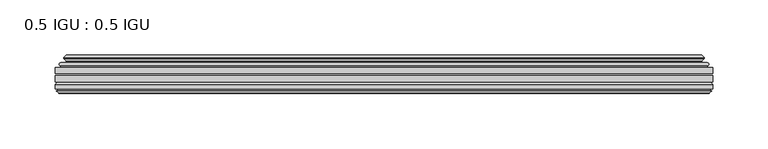
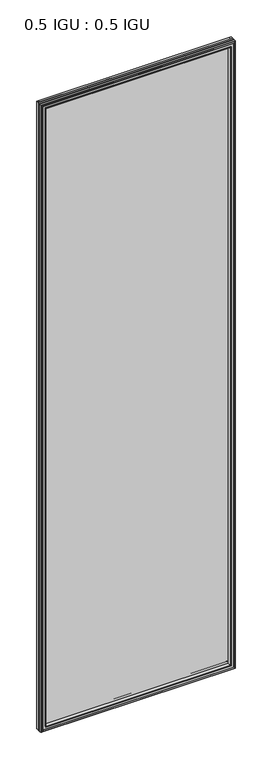
"""IFC4 building model written with IfcOpenShell, lengths in millimetres: plate geometry, 0.5 IGU : 0.5 IGU."""

from ifc_helpers import new_model, si_unit, frame, origin, place, context, project, spatial, polyline, ellipse_curve, outline, extrude, faceted_brep, source, transform, mapped, element, save
from ifc_brep_helpers import plane_surface, cylinder_surface, revolved_surface, advanced_brep


def plate_0_5_igu_0_5_igu_f37b91c5(model_context):
    return source(origin(), model_context, "Body", "SolidModel", [
        extrude(outline(polyline([(296.8798663, -55.82285), (296.8798663, -61.48705), (-296.8656913, -61.48705), (-296.8656913, -55.82285), (296.8798663, -55.82285)])), frame((0.0, 0.0, -14.2875), z_axis=(0.0, 0.0, 1.0), x_axis=(1.0, 0.0, 0.0)), (0.0, 0.0, 1.0), 2025.6537979),
        extrude(outline(polyline([(-296.8656913, -69.05625), (-296.8656913, -63.39205), (296.8798663, -63.39205), (296.8798663, -69.05625), (-296.8656913, -69.05625)])), frame((0.0, 0.0, -14.2875), z_axis=(0.0, 0.0, 1.0), x_axis=(1.0, 0.0, 0.0)), (0.0, 0.0, 1.0), 2025.6537979),
        advanced_brep(
        [(-292.7631539, -54.3724927, 2007.2599626), (-291.7186291, -51.60645, 2006.2154378), (-291.7186291, -51.60645, -9.1404378), (-292.7631539, -54.3724927, -10.1849626), (-291.1267083, -55.82285, 2005.623517), (-291.1267083, -55.82285, -8.548517), (-282.5781913, -45.63745, 1997.075), (-278.9954674, -55.82285, 1993.4922761), (-278.9954674, -55.82285, 3.5827239), (-282.5781913, -45.63745, 0.0), (-287.7641022, -46.8185491, 2002.2609109), (-287.7641022, -46.8185491, -5.1859109), (-286.9670806, -44.8183085, 2001.4638893), (-286.9670806, -44.8183085, -4.3888893), (-289.2508024, -47.135817, 2003.7476111), (-289.2508024, -47.135817, -6.6726111), (-289.2508024, -47.8489429, 2003.7476111), (-289.2508024, -47.8489429, -6.6726111), (-286.9670806, -50.1664515, 2001.4638893), (-286.9670806, -50.1664515, -4.3888893), (-287.7564414, -48.1854367, 2002.2532501), (-287.7564414, -48.1854367, -5.1782501), (-285.2326292, -48.027045, 1999.7294379), (-285.2326292, -48.027045, -2.6544379), (-284.206813, -48.7147544, 1998.7036217), (-284.206813, -48.7147544, -1.6286217), (-284.3252202, -50.1092231, 1998.8220288), (-284.3252202, -50.1092231, -1.7470288), (-284.9269661, -51.60645, 1999.4237748), (-284.9269661, -51.60645, -2.3487748), (291.7186291, -51.60645, -9.1404378), (292.7631539, -54.3724927, -10.1849626), (291.1267083, -55.82285, -8.548517), (278.9954674, -55.82285, 3.5827239), (282.5781913, -45.63745, 0.0), (287.7641022, -46.8185491, -5.1859109), (286.9670806, -44.8183085, -4.3888893), (289.2508024, -47.135817, -6.6726111), (289.2508024, -47.8489429, -6.6726111), (286.9670806, -50.1664515, -4.3888893), (287.7564414, -48.1854367, -5.1782501), (285.2326292, -48.027045, -2.6544379), (284.206813, -48.7147544, -1.6286217), (284.3252202, -50.1092231, -1.7470288), (284.9269661, -51.60645, -2.3487748), (291.7186291, -51.60645, 2006.2154378), (292.7631539, -54.3724927, 2007.2599626), (291.1267083, -55.82285, 2005.623517), (278.9954674, -55.82285, 1993.4922761), (282.5781913, -45.63745, 1997.075), (287.7641022, -46.8185491, 2002.2609109), (286.9670806, -44.8183085, 2001.4638893), (289.2508024, -47.135817, 2003.7476111), (289.2508024, -47.8489429, 2003.7476111), (286.9670806, -50.1664515, 2001.4638893), (287.7564414, -48.1854367, 2002.2532501), (285.2326292, -48.027045, 1999.7294379), (284.206813, -48.7147544, 1998.7036217), (284.3252202, -50.1092231, 1998.8220288), (284.9269661, -51.60645, 1999.4237748)],
        [
            (0, 1, ellipse_curve(frame((-291.7102616, -53.1898501, 2006.2070703), z_axis=(-0.7071067811865475, 0.0, -0.7071067811865475), x_axis=(-0.7071067811865474, 0.0, 0.7071067811865476)), 2.2392971, 1.5834222)),
            (1, 2),
            (2, 3, ellipse_curve(frame((-291.7102616, -53.1898501, -9.1320703), z_axis=(-0.7071067811865475, 0.0, 0.7071067811865475), x_axis=(0.7071067811865474, 0.0, 0.7071067811865476)), 2.2392971, 1.5834222)),
            (3, 0),
            (4, 0),
            (3, 5),
            (5, 4),
            (6, 7, ellipse_curve(frame((-250.2984374, -40.0058297, 1964.795246), z_axis=(0.7071067811865475, 0.0, 0.7071067811865475), x_axis=(0.7071067811865474, 0.0, -0.7071067811865476)), 46.3399971, 32.7673262)),
            (7, 8),
            (8, 9, ellipse_curve(frame((-250.2984374, -40.0058297, 32.279754), z_axis=(0.7071067811865475, 0.0, -0.7071067811865475), x_axis=(-0.7071067811865474, 0.0, -0.7071067811865476)), 46.3399971, 32.7673262)),
            (9, 6),
            (10, 6),
            (9, 11),
            (11, 10),
            (12, 10),
            (11, 13),
            (13, 12),
            (14, 12),
            (13, 15),
            (15, 14),
            (16, 14, ellipse_curve(frame((-288.8889642, -47.49238, 2003.3857729), z_axis=(-0.7071067811865475, 0.0, -0.7071067811865475), x_axis=(-0.7071067811865474, 0.0, 0.7071067811865476)), 0.7184205, 0.508)),
            (15, 17, ellipse_curve(frame((-288.8889642, -47.49238, -6.3107729), z_axis=(-0.7071067811865475, 0.0, 0.7071067811865475), x_axis=(0.7071067811865474, 0.0, 0.7071067811865476)), 0.7184205, 0.508)),
            (17, 16),
            (18, 16),
            (17, 19),
            (19, 18),
            (20, 18),
            (19, 21),
            (21, 20),
            (22, 20),
            (21, 23),
            (23, 22),
            (24, 22, ellipse_curve(frame((-285.1689913, -49.04105, 1999.6658), z_axis=(0.7071067811865475, 0.0, 0.7071067811865475), x_axis=(0.7071067811865474, 0.0, -0.7071067811865476)), 1.436841, 1.016)),
            (23, 25, ellipse_curve(frame((-285.1689913, -49.04105, -2.5908), z_axis=(0.7071067811865475, 0.0, -0.7071067811865475), x_axis=(-0.7071067811865474, 0.0, -0.7071067811865476)), 1.436841, 1.016)),
            (25, 24),
            (26, 24, ellipse_curve(frame((-286.5405913, -49.21885, 2001.0374), z_axis=(0.7071067811865475, 0.0, 0.7071067811865475), x_axis=(0.7071067811865474, 0.0, -0.7071067811865476)), 3.3765763, 2.3876)),
            (25, 27, ellipse_curve(frame((-286.5405913, -49.21885, -3.9624), z_axis=(0.7071067811865475, 0.0, -0.7071067811865475), x_axis=(-0.7071067811865474, 0.0, -0.7071067811865476)), 3.3765763, 2.3876)),
            (27, 26),
            (28, 26),
            (27, 29),
            (29, 28),
            (2, 30),
            (30, 31, ellipse_curve(frame((291.7102616, -53.1898501, -9.1320703), z_axis=(-0.7071067811865475, 0.0, -0.7071067811865475), x_axis=(-0.7071067811865476, 0.0, 0.7071067811865474)), 2.2392971, 1.5834222)),
            (31, 3),
            (31, 32),
            (32, 5),
            (8, 33),
            (33, 34, ellipse_curve(frame((250.2984374, -40.0058297, 32.279754), z_axis=(0.7071067811865475, 0.0, 0.7071067811865475), x_axis=(0.7071067811865476, 0.0, -0.7071067811865474)), 46.3399971, 32.7673262)),
            (34, 9),
            (34, 35),
            (35, 11),
            (35, 36),
            (36, 13),
            (36, 37),
            (37, 15),
            (37, 38, ellipse_curve(frame((288.8889642, -47.49238, -6.3107729), z_axis=(-0.7071067811865475, 0.0, -0.7071067811865475), x_axis=(-0.7071067811865476, 0.0, 0.7071067811865474)), 0.7184205, 0.508)),
            (38, 17),
            (38, 39),
            (39, 19),
            (39, 40),
            (40, 21),
            (40, 41),
            (41, 23),
            (41, 42, ellipse_curve(frame((285.1689913, -49.04105, -2.5908), z_axis=(0.7071067811865475, 0.0, 0.7071067811865475), x_axis=(0.7071067811865476, 0.0, -0.7071067811865474)), 1.436841, 1.016)),
            (42, 25),
            (42, 43, ellipse_curve(frame((286.5405913, -49.21885, -3.9624), z_axis=(0.7071067811865475, 0.0, 0.7071067811865475), x_axis=(0.7071067811865476, 0.0, -0.7071067811865474)), 3.3765763, 2.3876)),
            (43, 27),
            (43, 44),
            (44, 29),
            (30, 45),
            (45, 46, ellipse_curve(frame((291.7102616, -53.1898501, 2006.2070703), z_axis=(0.7071067811865475, 0.0, -0.7071067811865475), x_axis=(-0.7071067811865474, 0.0, -0.7071067811865476)), 2.2392971, 1.5834222)),
            (46, 31),
            (46, 47),
            (47, 32),
            (33, 48),
            (48, 49, ellipse_curve(frame((250.2984374, -40.0058297, 1964.795246), z_axis=(-0.7071067811865475, 0.0, 0.7071067811865475), x_axis=(0.7071067811865474, 0.0, 0.7071067811865476)), 46.3399971, 32.7673262)),
            (49, 34),
            (49, 50),
            (50, 35),
            (50, 51),
            (51, 36),
            (51, 52),
            (52, 37),
            (52, 53, ellipse_curve(frame((288.8889642, -47.49238, 2003.3857729), z_axis=(0.7071067811865475, 0.0, -0.7071067811865475), x_axis=(-0.7071067811865474, 0.0, -0.7071067811865476)), 0.7184205, 0.508)),
            (53, 38),
            (53, 54),
            (54, 39),
            (54, 55),
            (55, 40),
            (55, 56),
            (56, 41),
            (56, 57, ellipse_curve(frame((285.1689913, -49.04105, 1999.6658), z_axis=(-0.7071067811865475, 0.0, 0.7071067811865475), x_axis=(0.7071067811865474, 0.0, 0.7071067811865476)), 1.436841, 1.016)),
            (57, 42),
            (57, 58, ellipse_curve(frame((286.5405913, -49.21885, 2001.0374), z_axis=(-0.7071067811865475, 0.0, 0.7071067811865475), x_axis=(0.7071067811865474, 0.0, 0.7071067811865476)), 3.3765763, 2.3876)),
            (58, 43),
            (58, 59),
            (59, 44),
            (45, 1),
            (0, 46),
            (4, 47),
            (7, 48),
            (6, 49),
            (10, 50),
            (12, 51),
            (14, 52),
            (16, 53),
            (18, 54),
            (20, 55),
            (22, 56),
            (24, 57),
            (26, 58),
            (28, 59),
        ],
        [
            cylinder_surface(frame((-291.7102616, -53.1898501, 2028.825), z_axis=(0.0, 0.0, 1.0), x_axis=(-1.0, 0.0, 0.0)), 1.5834222),
            plane_surface(frame((-292.7631539, -54.3724927, 2007.2599626), z_axis=(-0.6632745773184306, -0.7483761320907135, 0.0), x_axis=(0.0, 0.0, -1.0))),
            revolved_surface(polyline([(-283.0657636, -40.0058297, -0.48757218957507575), (-283.0657636, -40.0058297, 1997.562572189575)]), (-250.2984374, -40.0058297, 2028.825), (0.0, 0.0, -1.0)),
            plane_surface(frame((-282.5781913, -45.63745, 1997.075), z_axis=(-0.2220649844278743, 0.975031867525902, 0.0), x_axis=(0.0, 0.0, -1.0))),
            plane_surface(frame((-287.7641022, -46.8185491, 2002.2609109), z_axis=(0.928968268563027, -0.37015936568323066, 0.0), x_axis=(0.0, 0.0, -1.0))),
            plane_surface(frame((-286.9670806, -44.8183085, 2001.4638893), z_axis=(-0.7122798501733482, 0.7018955869907096, 0.0), x_axis=(0.0, 0.0, -1.0))),
            cylinder_surface(frame((-288.8889642, -47.49238, 2028.825), z_axis=(0.0, 0.0, 1.0), x_axis=(-1.0, 0.0, 0.0)), 0.508),
            plane_surface(frame((-289.2508024, -47.8489429, 2003.7476111), z_axis=(-0.7122798501732925, -0.701895586990766, 0.0), x_axis=(0.0, 0.0, -1.0))),
            plane_surface(frame((-286.9670806, -50.1664515, 2001.4638893), z_axis=(0.9289682685628707, 0.3701593656836228, 0.0), x_axis=(0.0, 0.0, -1.0))),
            plane_surface(frame((-287.7564414, -48.1854367, 2002.2532501), z_axis=(0.0626357011928498, -0.9980364567169279, 0.0), x_axis=(0.0, 0.0, -1.0))),
            revolved_surface(polyline([(-286.18499130000004, -49.04105, -3.6068000145867245), (-286.18499130000004, -49.04105, 2000.6818000145868)]), (-285.1689913, -49.04105, 2028.825), (0.0, 0.0, -1.0)),
            revolved_surface(polyline([(-288.92819130000004, -49.21885, -6.3499999989237494), (-288.92819130000004, -49.21885, 2003.4249999989238)]), (-286.5405913, -49.21885, 2028.825), (0.0, 0.0, -1.0)),
            plane_surface(frame((-284.3252202, -50.1092231, 1998.8220288), z_axis=(-0.9278652925428184, 0.3729155385532094, 0.0), x_axis=(0.0, 0.0, -1.0))),
            cylinder_surface(frame((-314.3281913, -53.1898501, -9.1320703), z_axis=(-1.0, 0.0, 0.0), x_axis=(0.0, 0.0, -1.0)), 1.5834222),
            plane_surface(frame((-292.7631539, -54.3724927, -10.1849626), z_axis=(0.0, -0.7483761320907157, -0.6632745773184283), x_axis=(1.0, 0.0, 0.0))),
            revolved_surface(polyline([(283.06576358957506, -40.0058297, -0.48757220000000245), (-283.06576358957494, -40.0058297, -0.48757220000000245)]), (-314.3281913, -40.0058297, 32.279754), (1.0, 0.0, 0.0)),
            plane_surface(frame((-282.5781913, -45.63745, 0.0), z_axis=(0.0, 0.9750318675259013, -0.22206498442787745), x_axis=(1.0, 0.0, 0.0))),
            plane_surface(frame((-287.7641022, -46.8185491, -5.1859109), z_axis=(0.0, -0.37015936568322766, 0.9289682685630283), x_axis=(1.0, 0.0, 0.0))),
            plane_surface(frame((-286.9670806, -44.8183085, -4.3888893), z_axis=(0.0, 0.7018955869907073, -0.7122798501733504), x_axis=(1.0, 0.0, 0.0))),
            cylinder_surface(frame((-314.3281913, -47.49238, -6.3107729), z_axis=(-1.0, 0.0, 0.0), x_axis=(0.0, 0.0, -1.0)), 0.508),
            plane_surface(frame((-289.2508024, -47.8489429, -6.6726111), z_axis=(0.0, -0.7018955869907684, -0.7122798501732903), x_axis=(1.0, 0.0, 0.0))),
            plane_surface(frame((-286.9670806, -50.1664515, -4.3888893), z_axis=(0.0, 0.37015936568362584, 0.9289682685628696), x_axis=(1.0, 0.0, 0.0))),
            plane_surface(frame((-287.7564414, -48.1854367, -5.1782501), z_axis=(0.0, -0.9980364567169276, 0.06263570119285301), x_axis=(1.0, 0.0, 0.0))),
            revolved_surface(polyline([(286.18499131458697, -49.04105, -3.6068000000000002), (-286.18499131458685, -49.04105, -3.6068000000000002)]), (-314.3281913, -49.04105, -2.5908), (1.0, 0.0, 0.0)),
            revolved_surface(polyline([(288.92819129892376, -49.21885, -6.35), (-288.9281912989238, -49.21885, -6.35)]), (-314.3281913, -49.21885, -3.9624), (1.0, 0.0, 0.0)),
            plane_surface(frame((-284.3252202, -50.1092231, -1.7470288), z_axis=(0.0, 0.3729155385532064, -0.9278652925428196), x_axis=(1.0, 0.0, 0.0))),
            cylinder_surface(frame((291.7102616, -53.1898501, -31.75), z_axis=(0.0, 0.0, -1.0), x_axis=(1.0, 0.0, 0.0)), 1.5834222),
            plane_surface(frame((292.7631539, -54.3724927, -10.1849626), z_axis=(0.6632745773184259, -0.7483761320907178, 0.0), x_axis=(0.0, 0.0, 1.0))),
            revolved_surface(polyline([(283.0657636, -40.0058297, 1997.562572189575), (283.0657636, -40.0058297, -0.48757218957494075)]), (250.2984374, -40.0058297, -31.75), (0.0, 0.0, 1.0)),
            plane_surface(frame((282.5781913, -45.63745, 0.0), z_axis=(0.22206498442788056, 0.9750318675259005, 0.0), x_axis=(0.0, 0.0, 1.0))),
            plane_surface(frame((287.7641022, -46.8185491, -5.1859109), z_axis=(-0.9289682685630295, -0.37015936568322466, 0.0), x_axis=(0.0, 0.0, 1.0))),
            plane_surface(frame((286.9670806, -44.8183085, -4.3888893), z_axis=(0.7122798501733526, 0.701895586990705, 0.0), x_axis=(0.0, 0.0, 1.0))),
            cylinder_surface(frame((288.8889642, -47.49238, -31.75), z_axis=(0.0, 0.0, -1.0), x_axis=(1.0, 0.0, 0.0)), 0.508),
            plane_surface(frame((289.2508024, -47.8489429, -6.6726111), z_axis=(0.712279850173288, -0.7018955869907706, 0.0), x_axis=(0.0, 0.0, 1.0))),
            plane_surface(frame((286.9670806, -50.1664515, -4.3888893), z_axis=(-0.9289682685628684, 0.37015936568362884, 0.0), x_axis=(0.0, 0.0, 1.0))),
            plane_surface(frame((287.7564414, -48.1854367, -5.1782501), z_axis=(-0.06263570119285623, -0.9980364567169274, 0.0), x_axis=(0.0, 0.0, 1.0))),
            revolved_surface(polyline([(286.18499130000004, -49.04105, 2000.6818000145868), (286.18499130000004, -49.04105, -3.606800014586863)]), (285.1689913, -49.04105, -31.75), (0.0, 0.0, 1.0)),
            revolved_surface(polyline([(288.92819130000004, -49.21885, 2003.4249999989238), (288.92819130000004, -49.21885, -6.349999998923781)]), (286.5405913, -49.21885, -31.75), (0.0, 0.0, 1.0)),
            plane_surface(frame((284.3252202, -50.1092231, -1.7470288), z_axis=(0.9278652925428208, 0.3729155385532034, 0.0), x_axis=(0.0, 0.0, 1.0))),
            cylinder_surface(frame((314.3281913, -53.1898501, 2006.2070703), z_axis=(1.0, 0.0, 0.0), x_axis=(0.0, 0.0, 1.0)), 1.5834222),
            plane_surface(frame((292.7631539, -54.3724927, 2007.2599626), z_axis=(0.0, -0.7483761320907157, 0.6632745773184283), x_axis=(-1.0, 0.0, 0.0))),
            plane_surface(frame((291.1267083, -55.82285, 2005.623517), z_axis=(0.0, -1.0, 0.0), x_axis=(-1.0, 0.0, 0.0))),
            revolved_surface(polyline([(-283.06576358957506, -40.0058297, 1997.5625722), (283.06576358957494, -40.0058297, 1997.5625722)]), (314.3281913, -40.0058297, 1964.795246), (-1.0, 0.0, 0.0)),
            plane_surface(frame((282.5781913, -45.63745, 1997.075), z_axis=(0.0, 0.9750318675259012, 0.22206498442787742), x_axis=(-1.0, 0.0, 0.0))),
            plane_surface(frame((287.7641022, -46.8185491, 2002.2609109), z_axis=(0.0, -0.37015936568322766, -0.9289682685630283), x_axis=(-1.0, 0.0, 0.0))),
            plane_surface(frame((286.9670806, -44.8183085, 2001.4638893), z_axis=(0.0, 0.7018955869907073, 0.7122798501733504), x_axis=(-1.0, 0.0, 0.0))),
            cylinder_surface(frame((314.3281913, -47.49238, 2003.3857729), z_axis=(1.0, 0.0, 0.0), x_axis=(0.0, 0.0, 1.0)), 0.508),
            plane_surface(frame((289.2508024, -47.8489429, 2003.7476111), z_axis=(0.0, -0.7018955869907684, 0.7122798501732903), x_axis=(-1.0, 0.0, 0.0))),
            plane_surface(frame((286.9670806, -50.1664515, 2001.4638893), z_axis=(0.0, 0.37015936568362584, -0.9289682685628696), x_axis=(-1.0, 0.0, 0.0))),
            plane_surface(frame((287.7564414, -48.1854367, 2002.2532501), z_axis=(0.0, -0.9980364567169276, -0.06263570119285301), x_axis=(-1.0, 0.0, 0.0))),
            revolved_surface(polyline([(-286.18499131458697, -49.04105, 2000.6818), (286.18499131458685, -49.04105, 2000.6818)]), (314.3281913, -49.04105, 1999.6658), (-1.0, 0.0, 0.0)),
            revolved_surface(polyline([(-288.92819129892376, -49.21885, 2003.425), (288.9281912989238, -49.21885, 2003.425)]), (314.3281913, -49.21885, 2001.0374), (-1.0, 0.0, 0.0)),
            plane_surface(frame((284.3252202, -50.1092231, 1998.8220288), z_axis=(0.0, 0.3729155385532064, 0.9278652925428196), x_axis=(-1.0, 0.0, 0.0))),
            plane_surface(frame((284.9269661, -51.60645, 1999.4237748), z_axis=(0.0, 1.0, 0.0), x_axis=(-1.0, 0.0, 0.0))),
        ],
        [
            (0, [[1, 2, 3, 4]]),
            (1, [[5, -4, 6, 7]]),
            (2, [[8, 9, 10, 11]]),
            (3, [[12, -11, 13, 14]]),
            (4, [[15, -14, 16, 17]]),
            (5, [[18, -17, 19, 20]]),
            (6, [[21, -20, 22, 23]]),
            (7, [[24, -23, 25, 26]]),
            (8, [[27, -26, 28, 29]]),
            (9, [[30, -29, 31, 32]]),
            (10, [[33, -32, 34, 35]]),
            (11, [[36, -35, 37, 38]]),
            (12, [[39, -38, 40, 41]]),
            (13, [[-3, 42, 43, 44]]),
            (14, [[-6, -44, 45, 46]]),
            (15, [[-10, 47, 48, 49]]),
            (16, [[-13, -49, 50, 51]]),
            (17, [[-16, -51, 52, 53]]),
            (18, [[-19, -53, 54, 55]]),
            (19, [[-22, -55, 56, 57]]),
            (20, [[-25, -57, 58, 59]]),
            (21, [[-28, -59, 60, 61]]),
            (22, [[-31, -61, 62, 63]]),
            (23, [[-34, -63, 64, 65]]),
            (24, [[-37, -65, 66, 67]]),
            (25, [[-40, -67, 68, 69]]),
            (26, [[-43, 70, 71, 72]]),
            (27, [[-45, -72, 73, 74]]),
            (28, [[-48, 75, 76, 77]]),
            (29, [[-50, -77, 78, 79]]),
            (30, [[-52, -79, 80, 81]]),
            (31, [[-54, -81, 82, 83]]),
            (32, [[-56, -83, 84, 85]]),
            (33, [[-58, -85, 86, 87]]),
            (34, [[-60, -87, 88, 89]]),
            (35, [[-62, -89, 90, 91]]),
            (36, [[-64, -91, 92, 93]]),
            (37, [[-66, -93, 94, 95]]),
            (38, [[-68, -95, 96, 97]]),
            (39, [[-71, 98, -1, 99]]),
            (40, [[-73, -99, -5, 100]]),
            (41, [[-46, -74, -100, -7], [101, -75, -47, -9]]),
            (42, [[-76, -101, -8, 102]]),
            (43, [[-78, -102, -12, 103]]),
            (44, [[-80, -103, -15, 104]]),
            (45, [[-82, -104, -18, 105]]),
            (46, [[-84, -105, -21, 106]]),
            (47, [[-86, -106, -24, 107]]),
            (48, [[-88, -107, -27, 108]]),
            (49, [[-90, -108, -30, 109]]),
            (50, [[-92, -109, -33, 110]]),
            (51, [[-94, -110, -36, 111]]),
            (52, [[-96, -111, -39, 112]]),
            (53, [[-98, -70, -42, -2], [-69, -97, -112, -41]]),
        ],
    ),
        faceted_brep([(-278.723974, -69.05625, 1993.2207827), (-281.2902711, -77.94625, 1995.7870798), (-281.2902711, -77.94625, 1.2879202), (-278.723974, -69.05625, 3.8542173), (-296.8783913, -71.2633102, 2011.3752), (-294.6713311, -69.05625, 2009.1681398), (-294.6713311, -69.05625, -12.0931398), (-296.8783913, -71.2633102, -14.3002), (-296.8783913, -75.40625, 2011.3752), (-296.8783913, -75.40625, -14.3002), (-294.4593689, -76.58989, 2008.9561775), (-295.3289913, -75.40625, 2009.8258), (-295.3289913, -75.40625, -12.7508), (-294.4593689, -76.58989, -11.8811775), (-294.2621913, -77.8875884, 2008.759), (-294.2621913, -77.8875884, -11.684), (-295.2378513, -77.3578917, 2009.73466), (-295.2378513, -77.3578917, -12.65966), (-293.7033913, -79.1749663, 2008.2002), (-296.0305219, -77.3578917, 2010.5273305), (-296.0305219, -77.3578917, -13.4523305), (-293.7033913, -79.1749663, -11.1252), (-291.3762608, -77.3578917, 2005.8730695), (-291.3762608, -77.3578917, -8.7980695), (-293.1445913, -77.8875884, 2007.6414), (-292.1689314, -77.3578917, 2006.66574), (-292.1689314, -77.3578917, -9.59074), (-293.1445913, -77.8875884, -10.5664), (-292.9474138, -76.58989, 2007.4442225), (-292.9474138, -76.58989, -10.3692225), (-292.0777913, -75.40625, 2006.5746), (-292.0777913, -75.40625, -9.4996), (-282.929558, -77.94625, 1997.4263667), (-282.4003913, -75.40625, 1996.8972), (-282.4003913, -75.40625, 0.1778), (-282.929558, -77.94625, -0.3513667), (281.2902711, -77.94625, 1.2879202), (278.723974, -69.05625, 3.8542173), (294.6713311, -69.05625, -12.0931398), (296.8783913, -71.2633102, -14.3002), (296.8783913, -75.40625, -14.3002), (295.3289913, -75.40625, -12.7508), (294.4593689, -76.58989, -11.8811775), (294.2621913, -77.8875884, -11.684), (295.2378513, -77.3578917, -12.65966), (296.0305219, -77.3578917, -13.4523305), (293.7033913, -79.1749663, -11.1252), (291.3762608, -77.3578917, -8.7980695), (292.1689314, -77.3578917, -9.59074), (293.1445913, -77.8875884, -10.5664), (292.9474138, -76.58989, -10.3692225), (292.0777913, -75.40625, -9.4996), (282.4003913, -75.40625, 0.1778), (282.929558, -77.94625, -0.3513667), (281.2902711, -77.94625, 1995.7870798), (278.723974, -69.05625, 1993.2207827), (294.6713311, -69.05625, 2009.1681398), (296.8783913, -71.2633102, 2011.3752), (296.8783913, -75.40625, 2011.3752), (295.3289913, -75.40625, 2009.8258), (294.4593689, -76.58989, 2008.9561775), (294.2621913, -77.8875884, 2008.759), (295.2378513, -77.3578917, 2009.73466), (296.0305219, -77.3578917, 2010.5273305), (293.7033913, -79.1749663, 2008.2002), (291.3762608, -77.3578917, 2005.8730695), (292.1689314, -77.3578917, 2006.66574), (293.1445913, -77.8875884, 2007.6414), (292.9474138, -76.58989, 2007.4442225), (292.0777913, -75.40625, 2006.5746), (282.4003913, -75.40625, 1996.8972), (282.929558, -77.94625, 1997.4263667)], [[[0, 1, 2, 3]], [[4, 5, 6, 7]], [[8, 4, 7, 9]], [[10, 11, 12, 13]], [[14, 10, 13, 15]], [[16, 14, 15, 17]], [[18, 19, 20, 21]], [[22, 18, 21, 23]], [[24, 25, 26, 27]], [[28, 24, 27, 29]], [[30, 28, 29, 31]], [[32, 33, 34, 35]], [[3, 2, 36, 37]], [[7, 6, 38, 39]], [[9, 7, 39, 40]], [[13, 12, 41, 42]], [[15, 13, 42, 43]], [[17, 15, 43, 44]], [[21, 20, 45, 46]], [[23, 21, 46, 47]], [[27, 26, 48, 49]], [[29, 27, 49, 50]], [[31, 29, 50, 51]], [[35, 34, 52, 53]], [[37, 36, 54, 55]], [[39, 38, 56, 57]], [[40, 39, 57, 58]], [[42, 41, 59, 60]], [[43, 42, 60, 61]], [[44, 43, 61, 62]], [[46, 45, 63, 64]], [[47, 46, 64, 65]], [[49, 48, 66, 67]], [[50, 49, 67, 68]], [[51, 50, 68, 69]], [[53, 52, 70, 71]], [[55, 54, 1, 0]], [[5, 56, 38, 6], [3, 37, 55, 0]], [[57, 56, 5, 4]], [[58, 57, 4, 8]], [[9, 40, 58, 8], [11, 59, 41, 12]], [[60, 59, 11, 10]], [[61, 60, 10, 14]], [[62, 61, 14, 16]], [[19, 63, 45, 20], [17, 44, 62, 16]], [[64, 63, 19, 18]], [[65, 64, 18, 22]], [[25, 66, 48, 26], [23, 47, 65, 22]], [[67, 66, 25, 24]], [[68, 67, 24, 28]], [[69, 68, 28, 30]], [[31, 51, 69, 30], [33, 70, 52, 34]], [[71, 70, 33, 32]], [[35, 53, 71, 32], [1, 54, 36, 2]]]),
    ])


if __name__ == "__main__":
    model = new_model("IFC4")
    model_context = context("Model", 3, world=origin())
    ifc_project = project(units=[si_unit("LENGTHUNIT", "METRE", prefix="MILLI")], contexts=[model_context])
    site = spatial("IfcSite", under=ifc_project)
    building = spatial("IfcBuilding", under=site)
    placement = place(None, origin())
    plate_0_5_igu_0_5_igu_shape = plate_0_5_igu_0_5_igu_f37b91c5(model_context)
    element("IfcPlate", 1, ObjectType="0.5 IGU : 0.5 IGU", at=placement, inside=building, context=model_context, shape_type="MappedRepresentation", body=[
        mapped(plate_0_5_igu_0_5_igu_shape, transform((0.0, 0.0, 0.0), x_axis=(1.0, 0.0, 0.0), y_axis=(0.0, 1.0, 0.0), z_axis=(0.0, 0.0, 1.0))),
    ])
    save(model, "model.ifc")
